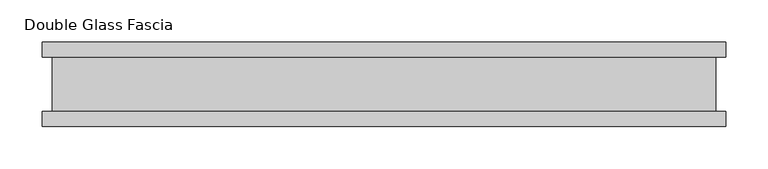
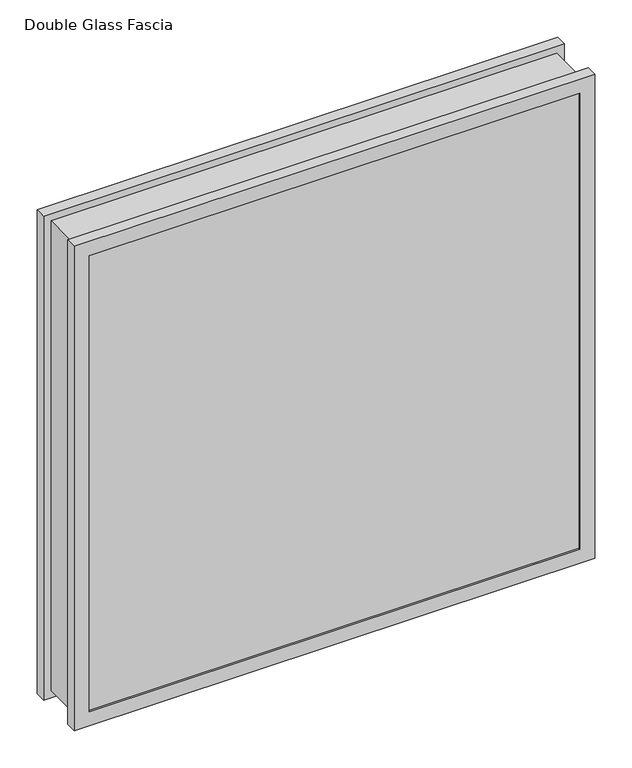
"""IFC4 building model written with IfcOpenShell, lengths in millimetres: proxy geometry, Double Glass Fascia."""

from ifc_helpers import new_model, si_unit, frame, origin, place, context, project, spatial, polyline, outline, extrude, faceted_brep, source, transform, mapped, element, save


def double_glass_fascia_d02fad54(model_context):
    return source(origin(), model_context, "Body", "SolidModel", [
        faceted_brep([(392.6640848, -32.4352299, 787.400885), (392.6640848, -32.4352299, 15.0359151), (392.6640848, 32.4352299, 15.0359151), (392.6640848, 32.4352299, 787.400885), (-392.6640848, -32.4352299, 15.0359151), (-392.6640848, 32.4352299, 15.0359151), (-392.6640848, -32.4352299, 787.400885), (-392.6640848, 32.4352299, 787.400885), (381.4871999, 38.8962152, 776.2240001), (381.4871999, 38.8962152, 26.2128), (381.4871999, -38.8962152, 26.2128), (381.4871999, -38.8962152, 776.2240001), (398.2218392, 47.1322551, 792.9586393), (398.2218392, 47.1322551, 9.4781608), (398.2218392, 38.8962152, 9.4781608), (398.2218392, 38.8962152, 792.9586393), (381.3093999, 50.0558594, 776.0462001), (381.3093999, 50.0558594, 26.3906), (381.3093999, 47.1322551, 26.3906), (381.3093999, 47.1322551, 776.0462001), (404.5249999, 32.4352299, 799.2618001), (404.5249999, 32.4352299, 3.175), (404.5249999, 50.0558594, 3.175), (404.5249999, 50.0558594, 799.2618001), (-381.4871999, 38.8962152, 26.2128), (-381.4871999, -38.8962152, 26.2128), (-398.2218392, 47.1322551, 9.4781608), (-398.2218392, 38.8962152, 9.4781608), (-381.3093999, 50.0558594, 26.3906), (-381.3093999, 47.1322551, 26.3906), (-404.5249999, 32.4352299, 3.175), (-404.5249999, 50.0558594, 3.175), (-381.4871999, 38.8962152, 776.2240001), (-381.4871999, -38.8962152, 776.2240001), (-398.2218392, 47.1322551, 792.9586393), (-398.2218392, 38.8962152, 792.9586393), (-381.3093999, 50.0558594, 776.0462001), (-381.3093999, 47.1322551, 776.0462001), (-404.5249999, 32.4352299, 799.2618001), (-404.5249999, 50.0558594, 799.2618001), (404.5249999, -50.0558594, 799.2618001), (404.5249999, -50.0558594, 3.175), (404.5249999, -32.4352299, 3.175), (404.5249999, -32.4352299, 799.2618001), (381.4871999, -47.1322551, 776.2240001), (381.4871999, -47.1322551, 26.2128), (381.4871999, -50.0558594, 26.2128), (381.4871999, -50.0558594, 776.2240001), (398.2218392, -38.8962152, 792.9586393), (398.2218392, -38.8962152, 9.4781608), (398.2218392, -47.1322551, 9.4781608), (398.2218392, -47.1322551, 792.9586393), (-404.5249999, -50.0558594, 3.175), (-404.5249999, -32.4352299, 3.175), (-381.4871999, -47.1322551, 26.2128), (-381.4871999, -50.0558594, 26.2128), (-398.2218392, -38.8962152, 9.4781608), (-398.2218392, -47.1322551, 9.4781608), (-404.5249999, -50.0558594, 799.2618001), (-404.5249999, -32.4352299, 799.2618001), (-381.4871999, -47.1322551, 776.2240001), (-381.4871999, -50.0558594, 776.2240001), (-398.2218392, -38.8962152, 792.9586393), (-398.2218392, -47.1322551, 792.9586393)], [[[0, 1, 2, 3]], [[1, 4, 5, 2]], [[4, 6, 7, 5]], [[6, 0, 3, 7]], [[8, 9, 10, 11]], [[12, 13, 14, 15]], [[16, 17, 18, 19]], [[20, 21, 22, 23]], [[9, 24, 25, 10]], [[13, 26, 27, 14]], [[17, 28, 29, 18]], [[21, 30, 31, 22]], [[24, 32, 33, 25]], [[26, 34, 35, 27]], [[28, 36, 37, 29]], [[30, 38, 39, 31]], [[32, 8, 11, 33]], [[15, 14, 27, 35], [9, 8, 32, 24]], [[34, 12, 15, 35]], [[13, 12, 34, 26], [19, 18, 29, 37]], [[36, 16, 19, 37]], [[23, 22, 31, 39], [17, 16, 36, 28]], [[38, 20, 23, 39]], [[21, 20, 38, 30], [3, 2, 5, 7]], [[40, 41, 42, 43]], [[44, 45, 46, 47]], [[48, 49, 50, 51]], [[41, 52, 53, 42]], [[45, 54, 55, 46]], [[49, 56, 57, 50]], [[52, 58, 59, 53]], [[54, 60, 61, 55]], [[56, 62, 63, 57]], [[43, 42, 53, 59], [1, 0, 6, 4]], [[58, 40, 43, 59]], [[41, 40, 58, 52], [47, 46, 55, 61]], [[60, 44, 47, 61]], [[51, 50, 57, 63], [45, 44, 60, 54]], [[62, 48, 51, 63]], [[49, 48, 62, 56], [11, 10, 25, 33]]]),
        extrude(outline(polyline([(393.7, 40.9277344), (-393.7, 40.9277344), (-393.7, 46.8808594), (393.7, 46.8808594), (393.7, 40.9277344)])), frame((0.0, 0.0, 5.3275263), z_axis=(0.0, 0.0, 1.0), x_axis=(1.0, 0.0, 0.0)), (0.0, 0.0, 1.0), 791.2877281),
        extrude(outline(polyline([(393.7, -41.1791301), (393.7, -47.1322551), (-393.7, -47.1322551), (-393.7, -41.1791301), (393.7, -41.1791301)])), frame((0.0, 0.0, 5.3275263), z_axis=(0.0, 0.0, 1.0), x_axis=(1.0, 0.0, 0.0)), (0.0, 0.0, 1.0), 791.2877281),
    ])


if __name__ == "__main__":
    model = new_model("IFC4")
    model_context = context("Model", 3, world=origin())
    ifc_project = project(units=[si_unit("LENGTHUNIT", "METRE", prefix="MILLI")], contexts=[model_context])
    site = spatial("IfcSite", under=ifc_project)
    building = spatial("IfcBuilding", under=site)
    placement = place(None, origin())
    double_glass_fascia_shape = double_glass_fascia_d02fad54(model_context)
    element("IfcBuildingElementProxy", 1, Name="Double Glass Fascia", ObjectType="Double Glass Fascia", at=placement, inside=building, context=model_context, shape_type="MappedRepresentation", body=[
        mapped(double_glass_fascia_shape, transform((0.0, 0.0, 0.0), x_axis=(1.0, 0.0, 0.0), y_axis=(0.0, 1.0, 0.0), z_axis=(0.0, 0.0, 1.0))),
    ])
    save(model, "model.ifc")
